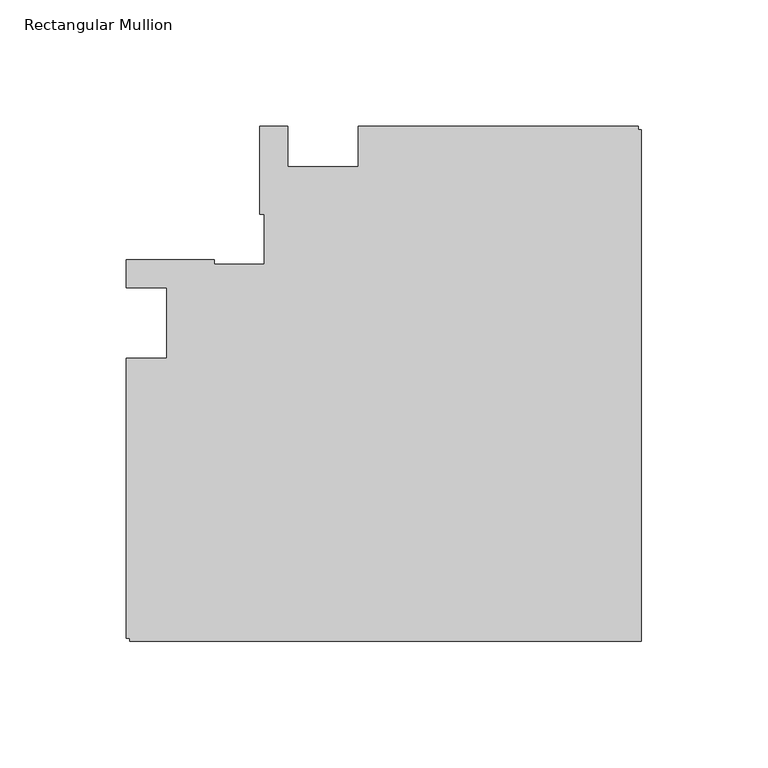
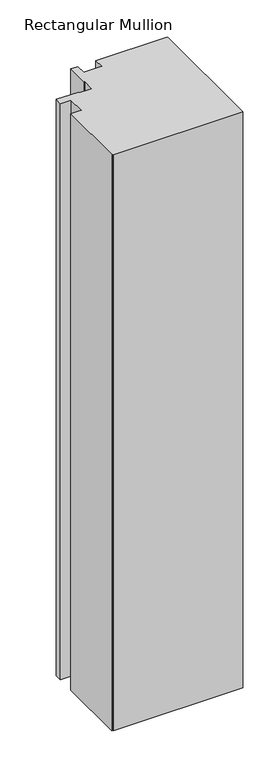
"""IFC4 building model written with IfcOpenShell, lengths in millimetres: member geometry, Rectangular Mullion."""

from ifc_helpers import new_model, si_unit, frame, origin, place, context, project, spatial, polyline, outline, extrude, source, transform, mapped, element, save


def rectangular_mullion_dbc8c506(model_context):
    return source(origin(), model_context, "Body", "SweptSolid", [
        extrude(outline(polyline([(-112.2039366, 78.0481273), (-1.2039366, 78.0481273), (-1.2039366, 76.548142), (0.0, 76.548142), (0.0, -126.155816), (-202.703958, -126.155816), (-202.703958, -124.9518583), (-204.2039408, -124.9518583), (-204.2039408, -13.95177), (-188.2039146, -13.95177), (-188.2039146, 14.0481206), (-204.2039408, 14.0481206), (-204.2039408, 25.0481206), (-169.2039146, 25.0481206), (-169.2039146, 23.3589699), (-149.5136517, 23.3589699), (-149.5136517, 43.0481011), (-151.2040012, 43.0481011), (-151.2040012, 78.0480986), (-140.2039366, 78.0480986), (-140.2039366, 62.0480986), (-112.2039366, 62.0480986), (-112.2039366, 78.0481273)])), frame((0.0, 0.0, -953.6595328), z_axis=(0.0, 0.0, 1.0), x_axis=(1.0, 0.0, 0.0)), (0.0, 0.0, 1.0), 953.6595328),
    ])


if __name__ == "__main__":
    model = new_model("IFC4")
    model_context = context("Model", 3, world=origin())
    ifc_project = project(units=[si_unit("LENGTHUNIT", "METRE", prefix="MILLI")], contexts=[model_context])
    site = spatial("IfcSite", under=ifc_project)
    building = spatial("IfcBuilding", under=site)
    placement = place(None, origin())
    rectangular_mullion_shape = rectangular_mullion_dbc8c506(model_context)
    element("IfcMember", 1, ObjectType="Rectangular Mullion", at=placement, inside=building, context=model_context, shape_type="MappedRepresentation", body=[
        mapped(rectangular_mullion_shape, transform((0.0, 0.0, 0.0), x_axis=(1.0, 0.0, 0.0), y_axis=(0.0, 1.0, 0.0), z_axis=(0.0, 0.0, 1.0))),
    ])
    save(model, "model.ifc")
